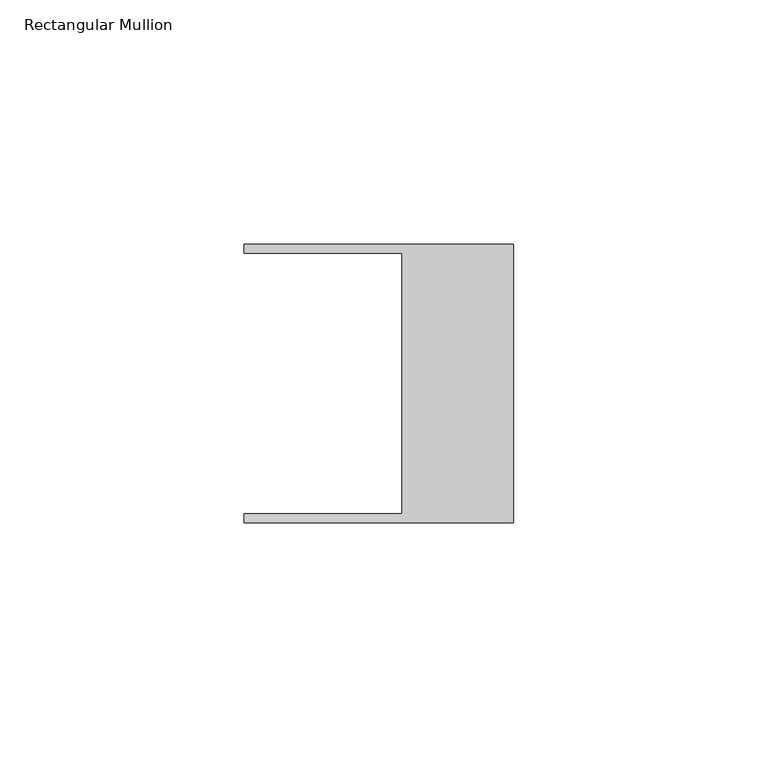
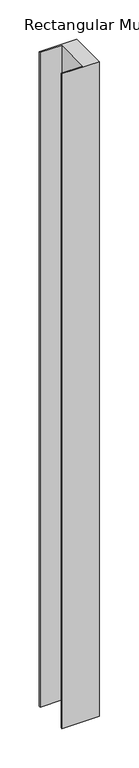
"""IFC4 building model written with IfcOpenShell, lengths in millimetres: member geometry, Rectangular Mullion."""

from ifc_helpers import new_model, si_unit, frame, origin, place, context, project, spatial, polyline, outline, extrude, source, transform, mapped, element, save


def rectangular_mullion_e72c5906(model_context):
    return source(origin(), model_context, "Body", "SweptSolid", [
        extrude(outline(polyline([(-55.118, 26.67), (-55.118, 28.448), (0.0, 28.448), (0.0, -28.448), (-55.118, -28.448), (-55.118, -26.67), (-22.86, -26.67), (-22.86, 26.67), (-55.118, 26.67)])), frame((0.0, 0.0, -1015.9999516), z_axis=(0.0, 0.0, 1.0), x_axis=(1.0, 0.0, 0.0)), (0.0, 0.0, 1.0), 1015.9999516),
    ])


if __name__ == "__main__":
    model = new_model("IFC4")
    model_context = context("Model", 3, world=origin())
    ifc_project = project(units=[si_unit("LENGTHUNIT", "METRE", prefix="MILLI")], contexts=[model_context])
    site = spatial("IfcSite", under=ifc_project)
    building = spatial("IfcBuilding", under=site)
    placement = place(None, origin())
    rectangular_mullion_shape = rectangular_mullion_e72c5906(model_context)
    element("IfcMember", 1, ObjectType="Rectangular Mullion", at=placement, inside=building, context=model_context, shape_type="MappedRepresentation", body=[
        mapped(rectangular_mullion_shape, transform((0.0, 0.0, 0.0), x_axis=(1.0, 0.0, 0.0), y_axis=(0.0, 1.0, 0.0), z_axis=(0.0, 0.0, 1.0))),
    ])
    save(model, "model.ifc")
